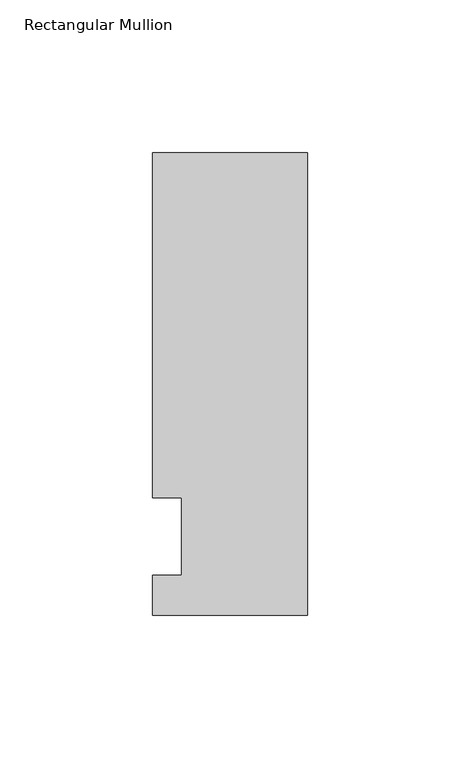
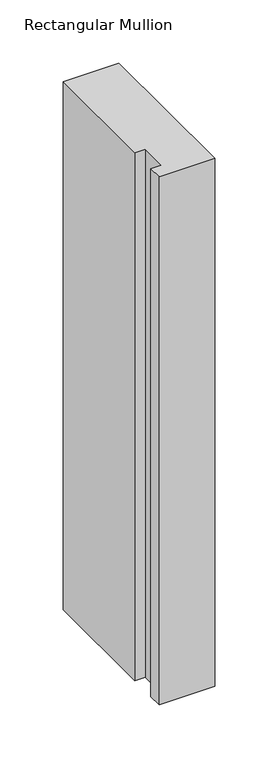
"""IFC4 building model written with IfcOpenShell, lengths in millimetres: member geometry, Rectangular Mullion."""

from ifc_helpers import new_model, si_unit, frame, origin, place, context, project, spatial, polyline, outline, extrude, source, transform, mapped, element, save


def rectangular_mullion_3bf96b0d(model_context):
    return source(origin(), model_context, "Body", "SweptSolid", [
        extrude(outline(polyline([(-50.8, -25.7961253), (-50.8, -12.7), (-41.275, -12.7), (-41.275, 12.7), (-50.8, 12.7), (-50.8, 125.8036906), (0.0, 125.8036906), (0.0, -25.7961253), (-50.8, -25.7961253)])), frame((0.0, 0.0, -509.6488917), z_axis=(0.0, 0.0, 1.0), x_axis=(1.0, 0.0, 0.0)), (0.0, 0.0, 1.0), 509.6488917),
    ])


if __name__ == "__main__":
    model = new_model("IFC4")
    model_context = context("Model", 3, world=origin())
    ifc_project = project(units=[si_unit("LENGTHUNIT", "METRE", prefix="MILLI")], contexts=[model_context])
    site = spatial("IfcSite", under=ifc_project)
    building = spatial("IfcBuilding", under=site)
    placement = place(None, origin())
    rectangular_mullion_shape = rectangular_mullion_3bf96b0d(model_context)
    element("IfcMember", 1, ObjectType="Rectangular Mullion", at=placement, inside=building, context=model_context, shape_type="MappedRepresentation", body=[
        mapped(rectangular_mullion_shape, transform((0.0, 0.0, 0.0), x_axis=(1.0, 0.0, 0.0), y_axis=(0.0, 1.0, 0.0), z_axis=(0.0, 0.0, 1.0))),
    ])
    save(model, "model.ifc")
